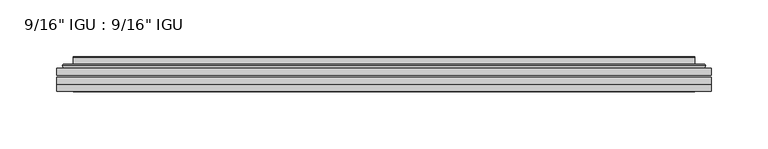
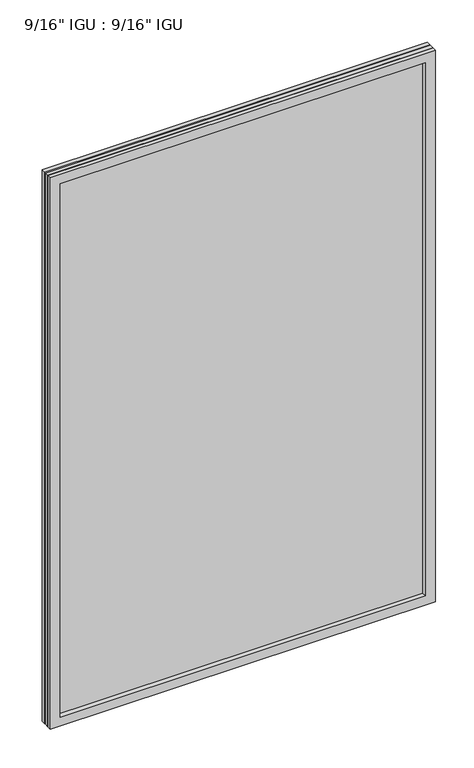
"""IFC4 building model written with IfcOpenShell, lengths in millimetres: plate geometry."""

from ifc_helpers import new_model, si_unit, frame, origin, place, context, project, spatial, polyline, ellipse_curve, outline, extrude, faceted_brep, source, transform, mapped, element, save
from ifc_brep_helpers import plane_surface, cylinder_surface, advanced_brep


def plate_806e813b(model_context):
    return source(origin(), model_context, "Body", "SolidModel", [
        extrude(outline(polyline([(287.351675, -54.78145), (287.351675, -61.1317818), (-287.3375, -61.1317818), (-287.3375, -54.78145), (287.351675, -54.78145)])), frame((0.0, 0.0, -14.2875), z_axis=(0.0, 0.0, 1.0), x_axis=(1.0, 0.0, 0.0)), (0.0, 0.0, 1.0), 869.9537979),
        extrude(outline(polyline([(-287.3375, -69.05625), (-287.3375, -62.705745), (287.351675, -62.705745), (287.351675, -69.05625), (-287.3375, -69.05625)])), frame((0.0, 0.0, -14.2875), z_axis=(0.0, 0.0, 1.0), x_axis=(1.0, 0.0, 0.0)), (0.0, 0.0, 1.0), 869.9537979),
        faceted_brep([(-287.3502, -75.40625, 855.6752), (-287.3502, -69.05625, 855.6752), (-287.3502, -69.05625, -14.3002), (-287.3502, -75.40625, -14.3002), (287.3502, -69.05625, -14.3002), (287.3502, -75.40625, -14.3002), (287.3502, -69.05625, 855.6752), (287.3502, -75.40625, 855.6752), (-272.1522559, -69.05625, 0.8977441), (272.1522559, -69.05625, 0.8977441), (272.1522559, -69.05625, 840.4772559), (-272.1522559, -69.05625, 840.4772559), (-273.0446902, -75.40625, 841.3696902), (273.0446902, -75.40625, 841.3696902), (273.0446902, -75.40625, 0.0053098), (-273.0446902, -75.40625, 0.0053098)], [[[0, 1, 2, 3]], [[3, 2, 4, 5]], [[5, 4, 6, 7]], [[1, 6, 4, 2], [8, 9, 10, 11]], [[7, 6, 1, 0]], [[3, 5, 7, 0], [12, 13, 14, 15]], [[11, 12, 15, 8]], [[8, 15, 14, 9]], [[9, 14, 13, 10]], [[10, 13, 12, 11]]]),
        advanced_brep(
        [(-280.096219, -54.78145, 848.421219), (-282.4504244, -52.7917833, 850.7754244), (-282.4504244, -52.7917833, -9.4004244), (-280.096219, -54.78145, -7.046219), (-271.0218939, -50.941413, 839.3468939), (-266.0870621, -54.78145, 834.4120621), (-266.0870621, -54.78145, 6.9629379), (-271.0218939, -50.941413, 2.0281061), (-272.0539217, -45.5441819, 840.3789217), (-272.0539217, -45.5441819, 0.9960783), (-273.0445784, -45.1452069, 841.3695784), (-273.0445784, -45.1452069, 0.0054216), (-273.0445784, -51.60645, 841.3695784), (-273.0445784, -51.60645, 0.0054216), (-281.4486349, -51.60645, 849.7736349), (-281.4486349, -51.60645, -8.3986349), (282.4504244, -52.7917833, -9.4004244), (280.096219, -54.78145, -7.046219), (266.0870621, -54.78145, 6.9629379), (271.0218939, -50.941413, 2.0281061), (272.0539217, -45.5441819, 0.9960783), (273.0445784, -45.1452069, 0.0054216), (273.0445784, -51.60645, 0.0054216), (281.4486349, -51.60645, -8.3986349), (282.4504244, -52.7917833, 850.7754244), (280.096219, -54.78145, 848.421219), (266.0870621, -54.78145, 834.4120621), (271.0218939, -50.941413, 839.3468939), (272.0539217, -45.5441819, 840.3789217), (273.0445784, -45.1452069, 841.3695784), (273.0445784, -51.60645, 841.3695784), (281.4486349, -51.60645, 849.7736349)],
        [
            (0, 1, ellipse_curve(frame((-280.096219, -52.39385, 848.421219), z_axis=(-0.7071067811865475, 0.0, -0.7071067811865475), x_axis=(-0.7071067811865474, 0.0, 0.7071067811865476)), 3.3765763, 2.3876)),
            (1, 2),
            (2, 3, ellipse_curve(frame((-280.096219, -52.39385, -7.046219), z_axis=(-0.7071067811865475, 0.0, 0.7071067811865475), x_axis=(0.7071067811865474, 0.0, 0.7071067811865476)), 3.3765763, 2.3876)),
            (3, 0),
            (4, 5),
            (5, 6),
            (6, 7),
            (7, 4),
            (8, 4),
            (7, 9),
            (9, 8),
            (10, 8, ellipse_curve(frame((-272.6776219, -45.6634423, 841.0026219), z_axis=(-0.7071067811865475, 0.0, -0.7071067811865475), x_axis=(-0.7071067811865474, 0.0, 0.7071067811865476)), 0.8980256, 0.635)),
            (9, 11, ellipse_curve(frame((-272.6776219, -45.6634423, 0.3723781), z_axis=(-0.7071067811865475, 0.0, 0.7071067811865475), x_axis=(0.7071067811865474, 0.0, 0.7071067811865476)), 0.8980256, 0.635)),
            (11, 10),
            (12, 10),
            (11, 13),
            (13, 12),
            (1, 14, ellipse_curve(frame((-281.4486349, -52.62245, 849.7736349), z_axis=(-0.7071067811865475, 0.0, -0.7071067811865475), x_axis=(-0.7071067811865474, 0.0, 0.7071067811865476)), 1.436841, 1.016)),
            (14, 15),
            (15, 2, ellipse_curve(frame((-281.4486349, -52.62245, -8.3986349), z_axis=(-0.7071067811865475, 0.0, 0.7071067811865475), x_axis=(0.7071067811865474, 0.0, 0.7071067811865476)), 1.436841, 1.016)),
            (2, 16),
            (16, 17, ellipse_curve(frame((280.096219, -52.39385, -7.046219), z_axis=(-0.7071067811865475, 0.0, -0.7071067811865475), x_axis=(-0.7071067811865476, 0.0, 0.7071067811865474)), 3.3765763, 2.3876)),
            (17, 3),
            (6, 18),
            (18, 19),
            (19, 7),
            (19, 20),
            (20, 9),
            (20, 21, ellipse_curve(frame((272.6776219, -45.6634423, 0.3723781), z_axis=(-0.7071067811865475, 0.0, -0.7071067811865475), x_axis=(-0.7071067811865476, 0.0, 0.7071067811865474)), 0.8980256, 0.635)),
            (21, 11),
            (21, 22),
            (22, 13),
            (15, 23),
            (23, 16, ellipse_curve(frame((281.4486349, -52.62245, -8.3986349), z_axis=(-0.7071067811865475, 0.0, -0.7071067811865475), x_axis=(-0.7071067811865476, 0.0, 0.7071067811865474)), 1.436841, 1.016)),
            (16, 24),
            (24, 25, ellipse_curve(frame((280.096219, -52.39385, 848.421219), z_axis=(0.7071067811865475, 0.0, -0.7071067811865475), x_axis=(-0.7071067811865474, 0.0, -0.7071067811865476)), 3.3765763, 2.3876)),
            (25, 17),
            (18, 26),
            (26, 27),
            (27, 19),
            (27, 28),
            (28, 20),
            (28, 29, ellipse_curve(frame((272.6776219, -45.6634423, 841.0026219), z_axis=(0.7071067811865475, 0.0, -0.7071067811865475), x_axis=(-0.7071067811865474, 0.0, -0.7071067811865476)), 0.8980256, 0.635)),
            (29, 21),
            (29, 30),
            (30, 22),
            (23, 31),
            (31, 24, ellipse_curve(frame((281.4486349, -52.62245, 849.7736349), z_axis=(0.7071067811865475, 0.0, -0.7071067811865475), x_axis=(-0.7071067811865474, 0.0, -0.7071067811865476)), 1.436841, 1.016)),
            (24, 1),
            (0, 25),
            (5, 26),
            (4, 27),
            (8, 28),
            (10, 29),
            (12, 30),
            (14, 31),
        ],
        [
            cylinder_surface(frame((-280.096219, -52.39385, 873.125), z_axis=(0.0, 0.0, 1.0), x_axis=(-1.0, 0.0, 0.0)), 2.3876),
            plane_surface(frame((-266.0870621, -54.78145, 834.4120621), z_axis=(0.6141233906514794, 0.7892100234124821, 0.0), x_axis=(0.0, 0.0, -1.0))),
            plane_surface(frame((-271.0218939, -50.941413, 839.3468939), z_axis=(0.9822050625507728, 0.18781164793386088, 0.0), x_axis=(0.0, 0.0, -1.0))),
            cylinder_surface(frame((-272.6776219, -45.6634423, 873.125), z_axis=(0.0, 0.0, 1.0), x_axis=(-1.0, 0.0, 0.0)), 0.635),
            plane_surface(frame((-273.0445784, -45.1452069, 841.3695784), z_axis=(-1.0, 0.0, 0.0), x_axis=(0.0, 0.0, -1.0))),
            cylinder_surface(frame((-281.4486349, -52.62245, 873.125), z_axis=(0.0, 0.0, 1.0), x_axis=(-1.0, 0.0, 0.0)), 1.016),
            cylinder_surface(frame((-304.8, -52.39385, -7.046219), z_axis=(-1.0, 0.0, 0.0), x_axis=(0.0, 0.0, -1.0)), 2.3876),
            plane_surface(frame((-266.0870621, -54.78145, 6.9629379), z_axis=(0.0, 0.7892100234124841, 0.6141233906514768), x_axis=(1.0, 0.0, 0.0))),
            plane_surface(frame((-271.0218939, -50.941413, 2.0281061), z_axis=(0.0, 0.18781164793386404, 0.9822050625507722), x_axis=(1.0, 0.0, 0.0))),
            cylinder_surface(frame((-304.8, -45.6634423, 0.3723781), z_axis=(-1.0, 0.0, 0.0), x_axis=(0.0, 0.0, -1.0)), 0.635),
            plane_surface(frame((-273.0445784, -45.1452069, 0.0054216), z_axis=(0.0, 0.0, -1.0), x_axis=(1.0, 0.0, 0.0))),
            cylinder_surface(frame((-304.8, -52.62245, -8.3986349), z_axis=(-1.0, 0.0, 0.0), x_axis=(0.0, 0.0, -1.0)), 1.016),
            cylinder_surface(frame((280.096219, -52.39385, -31.75), z_axis=(0.0, 0.0, -1.0), x_axis=(1.0, 0.0, 0.0)), 2.3876),
            plane_surface(frame((266.0870621, -54.78145, 6.9629379), z_axis=(-0.6141233906514743, 0.7892100234124861, 0.0), x_axis=(0.0, 0.0, 1.0))),
            plane_surface(frame((271.0218939, -50.941413, 2.0281061), z_axis=(-0.9822050625507717, 0.1878116479338672, 0.0), x_axis=(0.0, 0.0, 1.0))),
            cylinder_surface(frame((272.6776219, -45.6634423, -31.75), z_axis=(0.0, 0.0, -1.0), x_axis=(1.0, 0.0, 0.0)), 0.635),
            plane_surface(frame((273.0445784, -45.1452069, 0.0054216), z_axis=(1.0, 0.0, 0.0), x_axis=(0.0, 0.0, 1.0))),
            cylinder_surface(frame((281.4486349, -52.62245, -31.75), z_axis=(0.0, 0.0, -1.0), x_axis=(1.0, 0.0, 0.0)), 1.016),
            cylinder_surface(frame((304.8, -52.39385, 848.421219), z_axis=(1.0, 0.0, 0.0), x_axis=(0.0, 0.0, 1.0)), 2.3876),
            plane_surface(frame((280.096219, -54.78145, 848.421219), z_axis=(0.0, -1.0, 0.0), x_axis=(-1.0, 0.0, 0.0))),
            plane_surface(frame((266.0870621, -54.78145, 834.4120621), z_axis=(0.0, 0.7892100234124841, -0.6141233906514768), x_axis=(-1.0, 0.0, 0.0))),
            plane_surface(frame((271.0218939, -50.941413, 839.3468939), z_axis=(0.0, 0.18781164793386404, -0.9822050625507722), x_axis=(-1.0, 0.0, 0.0))),
            cylinder_surface(frame((304.8, -45.6634423, 841.0026219), z_axis=(1.0, 0.0, 0.0), x_axis=(0.0, 0.0, 1.0)), 0.635),
            plane_surface(frame((273.0445784, -45.1452069, 841.3695784), z_axis=(0.0, 0.0, 1.0), x_axis=(-1.0, 0.0, 0.0))),
            plane_surface(frame((273.0445784, -51.60645, 841.3695784), z_axis=(0.0, 1.0, 0.0), x_axis=(-1.0, 0.0, 0.0))),
            cylinder_surface(frame((304.8, -52.62245, 849.7736349), z_axis=(1.0, 0.0, 0.0), x_axis=(0.0, 0.0, 1.0)), 1.016),
        ],
        [
            (0, [[1, 2, 3, 4]]),
            (1, [[5, 6, 7, 8]]),
            (2, [[9, -8, 10, 11]]),
            (3, [[12, -11, 13, 14]]),
            (4, [[15, -14, 16, 17]]),
            (5, [[18, 19, 20, -2]]),
            (6, [[-3, 21, 22, 23]]),
            (7, [[-7, 24, 25, 26]]),
            (8, [[-10, -26, 27, 28]]),
            (9, [[-13, -28, 29, 30]]),
            (10, [[-16, -30, 31, 32]]),
            (11, [[-20, 33, 34, -21]]),
            (12, [[-22, 35, 36, 37]]),
            (13, [[-25, 38, 39, 40]]),
            (14, [[-27, -40, 41, 42]]),
            (15, [[-29, -42, 43, 44]]),
            (16, [[-31, -44, 45, 46]]),
            (17, [[-34, 47, 48, -35]]),
            (18, [[-36, 49, -1, 50]]),
            (19, [[-23, -37, -50, -4], [51, -38, -24, -6]]),
            (20, [[-39, -51, -5, 52]]),
            (21, [[-41, -52, -9, 53]]),
            (22, [[-43, -53, -12, 54]]),
            (23, [[-45, -54, -15, 55]]),
            (24, [[56, -47, -33, -19], [-32, -46, -55, -17]]),
            (25, [[-48, -56, -18, -49]]),
        ],
    ),
    ])


if __name__ == "__main__":
    model = new_model("IFC4")
    model_context = context("Model", 3, world=origin())
    ifc_project = project(units=[si_unit("LENGTHUNIT", "METRE", prefix="MILLI")], contexts=[model_context])
    site = spatial("IfcSite", under=ifc_project)
    building = spatial("IfcBuilding", under=site)
    placement = place(None, origin())
    plate_shape = plate_806e813b(model_context)
    element("IfcPlate", 1, ObjectType="9/16\" IGU : 9/16\" IGU", at=placement, inside=building, context=model_context, shape_type="MappedRepresentation", body=[
        mapped(plate_shape, transform((0.0, 0.0, 0.0), x_axis=(1.0, 0.0, 0.0), y_axis=(0.0, 1.0, 0.0), z_axis=(0.0, 0.0, 1.0))),
    ])
    save(model, "model.ifc")
